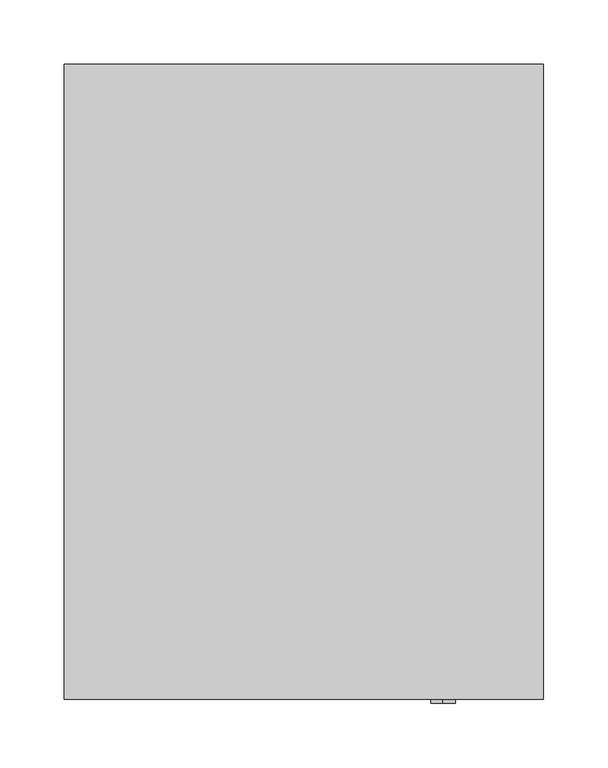
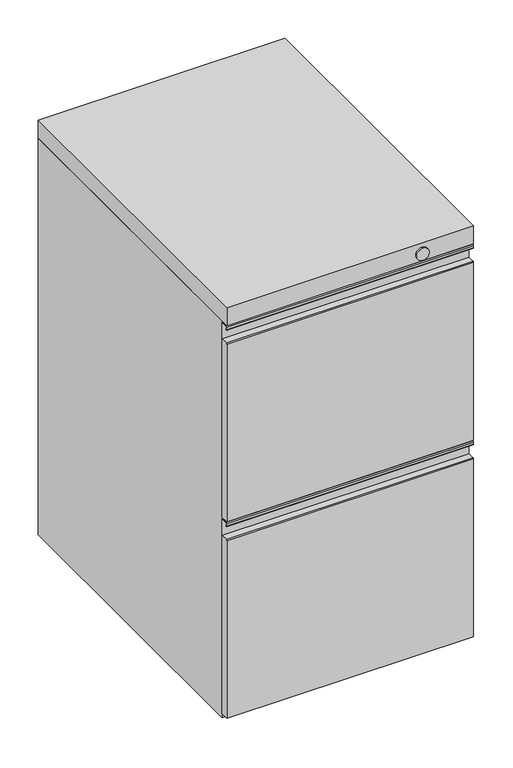
"""IFC4 building model written with IfcOpenShell, lengths in millimetres: furniture geometry."""

from ifc_helpers import new_model, si_unit, point, frame, frame_2d, origin, place, context, project, spatial, polyline, circle_curve, trimmed, segment, composite_curve, outline, extrude, source, transform, mapped, element, save
from ifc_brep_helpers import plane_surface, cylinder_surface, advanced_brep


def furniture_36c14fe8(model_context):
    return source(origin(), model_context, "Body", "SolidModel", [
        advanced_brep(
        [(133.35, 230.1874902, 9.525), (133.35, 179.3874932, 9.525), (133.35, 204.7874917, 9.525), (133.35, 230.1874902, 0.0), (133.35, 179.3874932, 0.0), (133.35, 204.7874917, 0.0)],
        [
            (0, 1, circle_curve(frame((133.35, 204.7874917, 9.525), z_axis=(0.0, 0.0, 1.0), x_axis=(0.0, -1.0, 0.0)), 25.3999985)),
            (1, 2),
            (2, 0),
            (1, 0, circle_curve(frame((133.35, 204.7874917, 9.525), z_axis=(0.0, 0.0, 1.0), x_axis=(0.0, -1.0, 0.0)), 25.3999985)),
            (3, 4, circle_curve(frame((133.35, 204.7874917, 0.0), z_axis=(0.0, 0.0, 1.0), x_axis=(0.0, -1.0, 0.0)), 25.3999985)),
            (4, 1),
            (0, 3),
            (4, 3, circle_curve(frame((133.35, 204.7874917, 0.0), z_axis=(0.0, 0.0, 1.0), x_axis=(0.0, -1.0, 0.0)), 25.3999985)),
            (5, 4),
            (3, 5),
        ],
        [
            plane_surface(frame((133.35, 204.7874917, 9.525), z_axis=(0.0, 0.0, 1.0), x_axis=(0.0, -1.0, 0.0))),
            cylinder_surface(frame((133.35, 204.7874917, 0.0), z_axis=(0.0, 0.0, -1.0), x_axis=(0.0, -1.0, 0.0)), 25.3999985),
            plane_surface(frame((133.35, 204.7874917, 0.0), z_axis=(0.0, 0.0, -1.0), x_axis=(0.0, -1.0, 0.0))),
        ],
        [
            (0, [[1, 2, 3]]),
            (0, [[4, -3, -2]]),
            (1, [[5, 6, -1, 7]]),
            (1, [[8, -7, -4, -6]]),
            (2, [[9, -5, 10]]),
            (2, [[-10, -8, -9]]),
        ],
    ),
        advanced_brep(
        [(133.35, -169.8625098, 9.525), (133.35, -220.6625068, 9.525), (133.35, -195.2625083, 9.525), (133.35, -169.8625098, 0.0), (133.35, -220.6625068, 0.0), (133.35, -195.2625083, 0.0)],
        [
            (0, 1, circle_curve(frame((133.35, -195.2625083, 9.525), z_axis=(0.0, 0.0, 1.0), x_axis=(0.0, -1.0, 0.0)), 25.3999985)),
            (1, 2),
            (2, 0),
            (1, 0, circle_curve(frame((133.35, -195.2625083, 9.525), z_axis=(0.0, 0.0, 1.0), x_axis=(0.0, -1.0, 0.0)), 25.3999985)),
            (3, 4, circle_curve(frame((133.35, -195.2625083, 0.0), z_axis=(0.0, 0.0, 1.0), x_axis=(0.0, -1.0, 0.0)), 25.3999985)),
            (4, 1),
            (0, 3),
            (4, 3, circle_curve(frame((133.35, -195.2625083, 0.0), z_axis=(0.0, 0.0, 1.0), x_axis=(0.0, -1.0, 0.0)), 25.3999985)),
            (5, 4),
            (3, 5),
        ],
        [
            plane_surface(frame((133.35, -195.2625083, 9.525), z_axis=(0.0, 0.0, 1.0), x_axis=(0.0, -1.0, 0.0))),
            cylinder_surface(frame((133.35, -195.2625083, 0.0), z_axis=(0.0, 0.0, -1.0), x_axis=(0.0, -1.0, 0.0)), 25.3999985),
            plane_surface(frame((133.35, -195.2625083, 0.0), z_axis=(0.0, 0.0, -1.0), x_axis=(0.0, -1.0, 0.0))),
        ],
        [
            (0, [[1, 2, 3]]),
            (0, [[4, -3, -2]]),
            (1, [[5, 6, -1, 7]]),
            (1, [[8, -7, -4, -6]]),
            (2, [[9, -5, 10]]),
            (2, [[-10, -8, -9]]),
        ],
    ),
        advanced_brep(
        [(-133.35, -169.8625098, 9.525), (-133.35, -220.6625068, 9.525), (-133.35, -195.2625083, 9.525), (-133.35, -169.8625098, 0.0), (-133.35, -220.6625068, 0.0), (-133.35, -195.2625083, 0.0)],
        [
            (0, 1, circle_curve(frame((-133.35, -195.2625083, 9.525), z_axis=(0.0, 0.0, 1.0), x_axis=(0.0, -1.0, 0.0)), 25.3999985)),
            (1, 2),
            (2, 0),
            (1, 0, circle_curve(frame((-133.35, -195.2625083, 9.525), z_axis=(0.0, 0.0, 1.0), x_axis=(0.0, -1.0, 0.0)), 25.3999985)),
            (3, 4, circle_curve(frame((-133.35, -195.2625083, 0.0), z_axis=(0.0, 0.0, 1.0), x_axis=(0.0, -1.0, 0.0)), 25.3999985)),
            (4, 1),
            (0, 3),
            (4, 3, circle_curve(frame((-133.35, -195.2625083, 0.0), z_axis=(0.0, 0.0, 1.0), x_axis=(0.0, -1.0, 0.0)), 25.3999985)),
            (5, 4),
            (3, 5),
        ],
        [
            plane_surface(frame((-133.35, -195.2625083, 9.525), z_axis=(0.0, 0.0, 1.0), x_axis=(0.0, -1.0, 0.0))),
            cylinder_surface(frame((-133.35, -195.2625083, 0.0), z_axis=(0.0, 0.0, -1.0), x_axis=(0.0, -1.0, 0.0)), 25.3999985),
            plane_surface(frame((-133.35, -195.2625083, 0.0), z_axis=(0.0, 0.0, -1.0), x_axis=(0.0, -1.0, 0.0))),
        ],
        [
            (0, [[1, 2, 3]]),
            (0, [[4, -3, -2]]),
            (1, [[5, 6, -1, 7]]),
            (1, [[8, -7, -4, -6]]),
            (2, [[9, -5, 10]]),
            (2, [[-10, -8, -9]]),
        ],
    ),
        advanced_brep(
        [(-133.35, 230.1874902, 9.525), (-133.35, 179.3874932, 9.525), (-133.35, 204.7874917, 9.525), (-133.35, 230.1874902, 0.0), (-133.35, 179.3874932, 0.0), (-133.35, 204.7874917, 0.0)],
        [
            (0, 1, circle_curve(frame((-133.35, 204.7874917, 9.525), z_axis=(0.0, 0.0, 1.0), x_axis=(0.0, -1.0, 0.0)), 25.3999985)),
            (1, 2),
            (2, 0),
            (1, 0, circle_curve(frame((-133.35, 204.7874917, 9.525), z_axis=(0.0, 0.0, 1.0), x_axis=(0.0, -1.0, 0.0)), 25.3999985)),
            (3, 4, circle_curve(frame((-133.35, 204.7874917, 0.0), z_axis=(0.0, 0.0, 1.0), x_axis=(0.0, -1.0, 0.0)), 25.3999985)),
            (4, 1),
            (0, 3),
            (4, 3, circle_curve(frame((-133.35, 204.7874917, 0.0), z_axis=(0.0, 0.0, 1.0), x_axis=(0.0, -1.0, 0.0)), 25.3999985)),
            (5, 4),
            (3, 5),
        ],
        [
            plane_surface(frame((-133.35, 204.7874917, 9.525), z_axis=(0.0, 0.0, 1.0), x_axis=(0.0, -1.0, 0.0))),
            cylinder_surface(frame((-133.35, 204.7874917, 0.0), z_axis=(0.0, 0.0, -1.0), x_axis=(0.0, -1.0, 0.0)), 25.3999985),
            plane_surface(frame((-133.35, 204.7874917, 0.0), z_axis=(0.0, 0.0, -1.0), x_axis=(0.0, -1.0, 0.0))),
        ],
        [
            (0, [[1, 2, 3]]),
            (0, [[4, -3, -2]]),
            (1, [[5, 6, -1, 7]]),
            (1, [[8, -7, -4, -6]]),
            (2, [[9, -5, 10]]),
            (2, [[-10, -8, -9]]),
        ],
    ),
        advanced_brep(
        [(185.7375, -233.3633734, 638.2109482), (185.7375, -234.9149365, 639.7625114), (185.7375, -244.2959206, 639.7625114), (185.7375, -245.8467713, 638.2116607), (185.7375, -245.8467713, 634.6059189), (185.7375, -243.4676129, 634.7414968), (185.7375, -245.0852623, 634.6494021), (185.7375, -245.0854655, 638.2126674), (185.7375, -244.2980863, 639.0001193), (185.7375, -234.912758, 639.0001193), (185.7375, -234.1245087, 638.2099058), (185.7375, -234.1245087, 612.8821774), (185.7375, -244.8905918, 612.8821774), (185.7375, -246.0625, 611.7552476), (185.7375, -246.0625, 328.6124992), (185.7375, -233.3624758, 328.6124992), (-185.7375, -233.3624758, 638.2111542), (-185.7375, -233.3624758, 328.6124992), (-185.7375, -246.0625, 328.6124992), (-185.7375, -246.0625, 611.7552476), (-185.7375, -244.8905918, 612.8821774), (-185.7375, -234.1245087, 612.8821774), (-185.7375, -234.1245087, 638.2099058), (-185.7375, -234.912758, 639.0001193), (-185.7375, -244.2980863, 639.0001193), (-185.7375, -245.0854655, 638.2126674), (-185.7375, -245.0852623, 634.6494021), (-185.7375, -243.4676129, 634.7414968), (-185.7375, -245.8467713, 634.6059189), (-185.7375, -245.8467713, 638.2116607), (-185.7375, -244.2959206, 639.7625114), (-185.7375, -234.9149365, 639.7625114)],
        [
            (0, 1, circle_curve(frame((185.7375, -234.9149365, 638.2109482), z_axis=(1.0, 0.0, 0.0), x_axis=(0.0, 1.0, 0.0)), 1.5515631)),
            (1, 2),
            (2, 3, circle_curve(frame((185.7375, -244.2959206, 638.2116607), z_axis=(1.0, 0.0, 0.0), x_axis=(0.0, 1.0, 0.0)), 1.5508507)),
            (3, 4),
            (4, 5, circle_curve(frame((185.7375, -244.6533291, 634.6059189), z_axis=(1.0, 0.0, 0.0), x_axis=(0.0, 1.0, 0.0)), 1.1934422)),
            (5, 6),
            (6, 7),
            (7, 8),
            (8, 9),
            (9, 10),
            (10, 11),
            (11, 12),
            (12, 13, circle_curve(frame((185.7375, -244.8905918, 611.7093716), z_axis=(1.0, 0.0, 0.0), x_axis=(0.0, 1.0, 0.0)), 1.1728058)),
            (13, 14),
            (14, 15),
            (15, 0),
            (16, 17),
            (17, 18),
            (18, 19),
            (19, 20, circle_curve(frame((-185.7375, -244.8905918, 611.7093716), z_axis=(-1.0, 0.0, 0.0), x_axis=(0.0, 1.0, 0.0)), 1.1728058)),
            (20, 21),
            (21, 22),
            (22, 23),
            (23, 24),
            (24, 25),
            (25, 26),
            (26, 27),
            (27, 28, circle_curve(frame((-185.7375, -244.6533291, 634.6059189), z_axis=(-1.0, 0.0, 0.0), x_axis=(0.0, 1.0, 0.0)), 1.1934422)),
            (28, 29),
            (29, 30, circle_curve(frame((-185.7375, -244.2959206, 638.2116607), z_axis=(-1.0, 0.0, 0.0), x_axis=(0.0, 1.0, 0.0)), 1.5508507)),
            (30, 31),
            (31, 16, circle_curve(frame((-185.7375, -234.9149365, 638.2109482), z_axis=(-1.0, 0.0, 0.0), x_axis=(0.0, 1.0, 0.0)), 1.5515631)),
            (0, 16),
            (31, 1),
            (30, 2),
            (29, 3),
            (28, 4),
            (27, 5),
            (26, 6),
            (25, 7),
            (24, 8),
            (23, 9),
            (22, 10),
            (21, 11),
            (20, 12),
            (19, 13),
            (18, 14),
            (17, 15),
        ],
        [
            plane_surface(frame((185.7375, -233.3633734, 638.2109482), z_axis=(1.0, 0.0, 0.0), x_axis=(0.0, 0.0, 1.0))),
            plane_surface(frame((-185.7375, -233.3633734, 638.2109482), z_axis=(-1.0, 0.0, 0.0), x_axis=(0.0, 0.0, -1.0))),
            cylinder_surface(frame((-185.7375, -234.9149365, 638.2109482), z_axis=(1.0, 0.0, 0.0), x_axis=(0.0, 1.0, 0.0)), 1.5515631),
            plane_surface(frame((185.7375, -234.9149365, 639.7625114), z_axis=(0.0, 0.0, 1.0), x_axis=(-1.0, 0.0, 0.0))),
            cylinder_surface(frame((-185.7375, -244.2959206, 638.2116607), z_axis=(1.0, 0.0, 0.0), x_axis=(0.0, 1.0, 0.0)), 1.5508507),
            plane_surface(frame((185.7375, -245.8467713, 638.2116607), z_axis=(0.0, -1.0, 0.0), x_axis=(-1.0, 0.0, 0.0))),
            cylinder_surface(frame((-185.7375, -244.6533291, 634.6059189), z_axis=(1.0, 0.0, 0.0), x_axis=(0.0, 1.0, 0.0)), 1.1934422),
            plane_surface(frame((185.7375, -243.4676129, 634.7414968), z_axis=(0.0, -0.05683911841533739, 0.998383350531131), x_axis=(-1.0, 0.0, 0.0))),
            plane_surface(frame((185.7375, -245.0852623, 634.6494021), z_axis=(0.0, 0.9999999983729901, 5.704401746832448e-05), x_axis=(-1.0, 0.0, 0.0))),
            plane_surface(frame((185.7375, -245.0854655, 638.2126674), z_axis=(0.0, 0.7071394096054413, -0.707074151261993), x_axis=(-1.0, 0.0, 0.0))),
            plane_surface(frame((185.7375, -244.2980863, 639.0001193), z_axis=(0.0, 0.0, -1.0), x_axis=(-1.0, 0.0, 0.0))),
            plane_surface(frame((185.7375, -234.912758, 639.0001193), z_axis=(0.0, -0.707986164937389, -0.7062263024394152), x_axis=(-1.0, 0.0, 0.0))),
            plane_surface(frame((185.7375, -234.1245087, 638.2099058), z_axis=(0.0, -1.0, 0.0), x_axis=(-1.0, 0.0, 0.0))),
            plane_surface(frame((185.7375, -234.1245087, 612.8821774), z_axis=(0.0, 0.0, 1.0), x_axis=(-1.0, 0.0, 0.0))),
            cylinder_surface(frame((-185.7375, -244.8905918, 611.7093716), z_axis=(1.0, 0.0, 0.0), x_axis=(0.0, 1.0, 0.0)), 1.1728058),
            plane_surface(frame((185.7375, -246.0625, 611.7552476), z_axis=(0.0, -1.0, 0.0), x_axis=(-1.0, 0.0, 0.0))),
            plane_surface(frame((185.7375, -246.0625, 328.6124992), z_axis=(0.0, 0.0, -1.0), x_axis=(-1.0, 0.0, 0.0))),
            plane_surface(frame((185.7375, -233.3624758, 328.6124992), z_axis=(0.0, 1.0, 0.0), x_axis=(-1.0, 0.0, 0.0))),
        ],
        [
            (0, [[1, 2, 3, 4, 5, 6, 7, 8, 9, 10, 11, 12, 13, 14, 15, 16]]),
            (1, [[17, 18, 19, 20, 21, 22, 23, 24, 25, 26, 27, 28, 29, 30, 31, 32]]),
            (2, [[-1, 33, -32, 34]]),
            (3, [[-2, -34, -31, 35]]),
            (4, [[-3, -35, -30, 36]]),
            (5, [[-4, -36, -29, 37]]),
            (6, [[-5, -37, -28, 38]]),
            (7, [[-6, -38, -27, 39]]),
            (8, [[-7, -39, -26, 40]]),
            (9, [[-8, -40, -25, 41]]),
            (10, [[-9, -41, -24, 42]]),
            (11, [[-10, -42, -23, 43]]),
            (12, [[-11, -43, -22, 44]]),
            (13, [[-12, -44, -21, 45]]),
            (14, [[-13, -45, -20, 46]]),
            (15, [[-14, -46, -19, 47]]),
            (16, [[-15, -47, -18, 48]]),
            (17, [[-16, -48, -17, -33]]),
        ],
    ),
        advanced_brep(
        [(185.7375, -233.3633734, 325.473449), (185.7375, -234.9149365, 327.0250121), (185.7375, -244.2959206, 327.0250121), (185.7375, -245.8467713, 325.4741614), (185.7375, -245.8467713, 321.8684196), (185.7375, -243.4676129, 322.0039975), (185.7375, -245.0852623, 321.9119029), (185.7375, -245.0854655, 325.4751681), (185.7375, -244.2980863, 326.2626201), (185.7375, -234.912758, 326.2626201), (185.7375, -234.1245087, 325.4724066), (185.7375, -234.1245087, 300.1446782), (185.7375, -244.8905918, 300.1446782), (185.7375, -246.0625, 299.0177484), (185.7375, -246.0625, 15.875), (185.7375, -233.3624758, 15.875), (-185.7375, -233.3624758, 325.473655), (-185.7375, -233.3624758, 15.875), (-185.7375, -246.0625, 15.875), (-185.7375, -246.0625, 299.0177484), (-185.7375, -244.8905918, 300.1446782), (-185.7375, -234.1245087, 300.1446782), (-185.7375, -234.1245087, 325.4724066), (-185.7375, -234.912758, 326.2626201), (-185.7375, -244.2980863, 326.2626201), (-185.7375, -245.0854655, 325.4751681), (-185.7375, -245.0852623, 321.9119029), (-185.7375, -243.4676129, 322.0039975), (-185.7375, -245.8467713, 321.8684196), (-185.7375, -245.8467713, 325.4741614), (-185.7375, -244.2959206, 327.0250121), (-185.7375, -234.9149365, 327.0250121)],
        [
            (0, 1, circle_curve(frame((185.7375, -234.9149365, 325.473449), z_axis=(1.0, 0.0, 0.0), x_axis=(0.0, 1.0, 0.0)), 1.5515631)),
            (1, 2),
            (2, 3, circle_curve(frame((185.7375, -244.2959206, 325.4741614), z_axis=(1.0, 0.0, 0.0), x_axis=(0.0, 1.0, 0.0)), 1.5508507)),
            (3, 4),
            (4, 5, circle_curve(frame((185.7375, -244.6533291, 321.8684196), z_axis=(1.0, 0.0, 0.0), x_axis=(0.0, 1.0, 0.0)), 1.1934422)),
            (5, 6),
            (6, 7),
            (7, 8),
            (8, 9),
            (9, 10),
            (10, 11),
            (11, 12),
            (12, 13, circle_curve(frame((185.7375, -244.8905918, 298.9718723), z_axis=(1.0, 0.0, 0.0), x_axis=(0.0, 1.0, 0.0)), 1.1728058)),
            (13, 14),
            (14, 15),
            (15, 0),
            (16, 17),
            (17, 18),
            (18, 19),
            (19, 20, circle_curve(frame((-185.7375, -244.8905918, 298.9718723), z_axis=(-1.0, 0.0, 0.0), x_axis=(0.0, 1.0, 0.0)), 1.1728058)),
            (20, 21),
            (21, 22),
            (22, 23),
            (23, 24),
            (24, 25),
            (25, 26),
            (26, 27),
            (27, 28, circle_curve(frame((-185.7375, -244.6533291, 321.8684196), z_axis=(-1.0, 0.0, 0.0), x_axis=(0.0, 1.0, 0.0)), 1.1934422)),
            (28, 29),
            (29, 30, circle_curve(frame((-185.7375, -244.2959206, 325.4741614), z_axis=(-1.0, 0.0, 0.0), x_axis=(0.0, 1.0, 0.0)), 1.5508507)),
            (30, 31),
            (31, 16, circle_curve(frame((-185.7375, -234.9149365, 325.473449), z_axis=(-1.0, 0.0, 0.0), x_axis=(0.0, 1.0, 0.0)), 1.5515631)),
            (0, 16),
            (31, 1),
            (30, 2),
            (29, 3),
            (28, 4),
            (27, 5),
            (26, 6),
            (25, 7),
            (24, 8),
            (23, 9),
            (22, 10),
            (21, 11),
            (20, 12),
            (19, 13),
            (18, 14),
            (17, 15),
        ],
        [
            plane_surface(frame((185.7375, -233.3633734, 325.473449), z_axis=(1.0, 0.0, 0.0), x_axis=(0.0, 0.0, 1.0))),
            plane_surface(frame((-185.7375, -233.3633734, 325.473449), z_axis=(-1.0, 0.0, 0.0), x_axis=(0.0, 0.0, -1.0))),
            cylinder_surface(frame((-185.7375, -234.9149365, 325.473449), z_axis=(1.0, 0.0, 0.0), x_axis=(0.0, 1.0, 0.0)), 1.5515631),
            plane_surface(frame((185.7375, -234.9149365, 327.0250121), z_axis=(0.0, 0.0, 1.0), x_axis=(-1.0, 0.0, 0.0))),
            cylinder_surface(frame((-185.7375, -244.2959206, 325.4741614), z_axis=(1.0, 0.0, 0.0), x_axis=(0.0, 1.0, 0.0)), 1.5508507),
            plane_surface(frame((185.7375, -245.8467713, 325.4741614), z_axis=(0.0, -1.0, 0.0), x_axis=(-1.0, 0.0, 0.0))),
            cylinder_surface(frame((-185.7375, -244.6533291, 321.8684196), z_axis=(1.0, 0.0, 0.0), x_axis=(0.0, 1.0, 0.0)), 1.1934422),
            plane_surface(frame((185.7375, -243.4676129, 322.0039975), z_axis=(0.0, -0.05683911841659238, 0.9983833505310596), x_axis=(-1.0, 0.0, 0.0))),
            plane_surface(frame((185.7375, -245.0852623, 321.9119029), z_axis=(0.0, 0.9999999983729901, 5.7044017430335134e-05), x_axis=(-1.0, 0.0, 0.0))),
            plane_surface(frame((185.7375, -245.0854655, 325.4751681), z_axis=(0.0, 0.7071394096051983, -0.7070741512622362), x_axis=(-1.0, 0.0, 0.0))),
            plane_surface(frame((185.7375, -244.2980863, 326.2626201), z_axis=(0.0, 0.0, -1.0), x_axis=(-1.0, 0.0, 0.0))),
            plane_surface(frame((185.7375, -234.912758, 326.2626201), z_axis=(0.0, -0.707986164937147, -0.7062263024396579), x_axis=(-1.0, 0.0, 0.0))),
            plane_surface(frame((185.7375, -234.1245087, 325.4724066), z_axis=(0.0, -1.0, 0.0), x_axis=(-1.0, 0.0, 0.0))),
            plane_surface(frame((185.7375, -234.1245087, 300.1446782), z_axis=(0.0, 0.0, 1.0), x_axis=(-1.0, 0.0, 0.0))),
            cylinder_surface(frame((-185.7375, -244.8905918, 298.9718723), z_axis=(1.0, 0.0, 0.0), x_axis=(0.0, 1.0, 0.0)), 1.1728058),
            plane_surface(frame((185.7375, -246.0625, 299.0177484), z_axis=(0.0, -1.0, 0.0), x_axis=(-1.0, 0.0, 0.0))),
            plane_surface(frame((185.7375, -246.0625, 15.875), z_axis=(0.0, 0.0, -1.0), x_axis=(-1.0, 0.0, 0.0))),
            plane_surface(frame((185.7375, -233.3624758, 15.875), z_axis=(0.0, 1.0, 0.0), x_axis=(-1.0, 0.0, 0.0))),
        ],
        [
            (0, [[1, 2, 3, 4, 5, 6, 7, 8, 9, 10, 11, 12, 13, 14, 15, 16]]),
            (1, [[17, 18, 19, 20, 21, 22, 23, 24, 25, 26, 27, 28, 29, 30, 31, 32]]),
            (2, [[-1, 33, -32, 34]]),
            (3, [[-2, -34, -31, 35]]),
            (4, [[-3, -35, -30, 36]]),
            (5, [[-4, -36, -29, 37]]),
            (6, [[-5, -37, -28, 38]]),
            (7, [[-6, -38, -27, 39]]),
            (8, [[-7, -39, -26, 40]]),
            (9, [[-8, -40, -25, 41]]),
            (10, [[-9, -41, -24, 42]]),
            (11, [[-10, -42, -23, 43]]),
            (12, [[-11, -43, -22, 44]]),
            (13, [[-12, -44, -21, 45]]),
            (14, [[-13, -45, -20, 46]]),
            (15, [[-14, -46, -19, 47]]),
            (16, [[-15, -47, -18, 48]]),
            (17, [[-16, -48, -17, -33]]),
        ],
    ),
        extrude(outline(polyline([(185.7375, 246.0625), (185.7375, -246.0625), (-185.7375, -246.0625), (-185.7375, 246.0625), (185.7375, 246.0625)])), frame((0.0, 0.0, 641.35), z_axis=(0.0, 0.0, 1.0), x_axis=(1.0, 0.0, 0.0)), (0.0, 0.0, 1.0), 28.575),
        extrude(outline(polyline([(185.7375, 246.0625), (185.7375, -233.3624758), (-185.7375, -233.3624758), (-185.7375, 246.0625), (185.7375, 246.0625)])), frame((0.0, 0.0, 9.525), z_axis=(0.0, 0.0, 1.0), x_axis=(1.0, 0.0, 0.0)), (0.0, 0.0, 1.0), 631.825),
        extrude(outline(composite_curve([segment(trimmed(circle_curve(frame_2d((654.0500242, 107.9500242)), 9.525), [point((644.5250242, 107.9500242))], [point((663.5750242, 107.9500242))], False, "CARTESIAN"), True, "CONTINUOUS"), segment(trimmed(circle_curve(frame_2d((654.0500242, 107.9500242)), 9.525), [point((663.5750242, 107.9500242))], [point((644.5250242, 107.9500242))], False, "CARTESIAN"), True, "CONTINUOUS")], self_intersect=False)), frame((0.0, -249.2374879, 0.0), z_axis=(0.0, 1.0, 0.0), x_axis=(0.0, 0.0, 1.0)), (0.0, 0.0, 1.0), 3.1749879),
    ])


if __name__ == "__main__":
    model = new_model("IFC4")
    model_context = context("Model", 3, world=origin())
    ifc_project = project(units=[si_unit("LENGTHUNIT", "METRE", prefix="MILLI")], contexts=[model_context])
    site = spatial("IfcSite", under=ifc_project)
    building = spatial("IfcBuilding", under=site)
    placement = place(None, origin())
    furniture_shape = furniture_36c14fe8(model_context)
    element("IfcFurniture", 1, at=placement, inside=building, context=model_context, shape_type="MappedRepresentation", body=[
        mapped(furniture_shape, transform((0.0, 0.0, 0.0), x_axis=(1.0, 0.0, 0.0), y_axis=(0.0, 1.0, 0.0), z_axis=(0.0, 0.0, 1.0))),
    ])
    save(model, "model.ifc")
